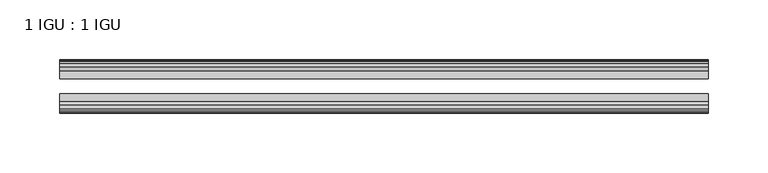
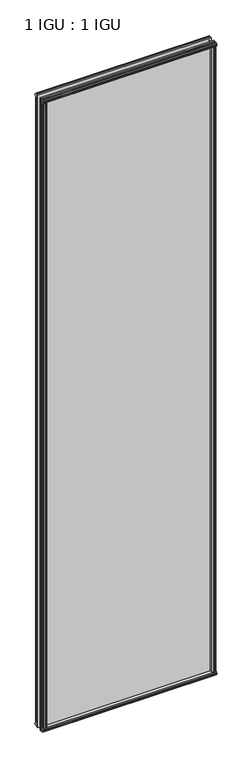
"""IFC4 building model written with IfcOpenShell, lengths in millimetres: plate geometry, 1 IGU : 1 IGU."""

import ifcopenshell
import ifcopenshell.guid

model = None  # the IFC model being written
_history = None  # IfcOwnerHistory: only IFC2X3 demands one
_inside = {}  # id of a spatial element -> (the spatial element, [elements in it])
_under = {}  # id of a project, library or spatial element -> (it, [spatial elements below it])
_declared = {}  # id of a project -> (the project, [libraries it declares])
_typed = {}  # id of a type object -> (the type object, [elements of that type])
_made_of = {}  # id of a material, layer set ... -> (it, [elements and type objects made of it])


def new_model(schema):
    """Start an empty IFC model of exactly this schema.

    Asked for "IFC4X3", IfcOpenShell would pick the latest addendum, in which some entities
    have other attributes; the version numbers below select the first issue.
    IFC2X3 requires an IfcOwnerHistory on every rooted entity: one is made here for all.
    """
    global model, _history
    if schema == "IFC4X3":
        model = ifcopenshell.file(schema_version=(4, 3, 0, 0))
    else:
        model = ifcopenshell.file(schema=schema)
    _inside.clear()
    _under.clear()
    _declared.clear()
    _typed.clear()
    _made_of.clear()
    _history = None
    if model.schema == "IFC2X3":
        org = make("IfcOrganization", Name="unknown")
        user = make(
            "IfcPersonAndOrganization",
            ThePerson=make("IfcPerson", FamilyName="unknown"),
            TheOrganization=org,
        )
        app = make(
            "IfcApplication",
            ApplicationDeveloper=org,
            Version="unknown",
            ApplicationFullName="unknown",
            ApplicationIdentifier="unknown",
        )
        _history = make(
            "IfcOwnerHistory",
            OwningUser=user,
            OwningApplication=app,
            ChangeAction="ADDED",
            CreationDate=0,
        )
    return model


def make(cls, **values):
    """One entity of the class cls with the attributes given. An attribute that is None is left unset."""
    return model.create_entity(
        cls, **{name: value for name, value in values.items() if value is not None}
    )


def rooted(cls, **values):
    """An entity with a GlobalId (a new one), such as an element, a storey or a relation."""
    return make(cls, GlobalId=ifcopenshell.guid.new(), OwnerHistory=_history, **values)


def si_unit(unit_type, name, prefix=None):
    """IfcSIUnit, for example si_unit("LENGTHUNIT", "METRE", prefix="MILLI")."""
    return make("IfcSIUnit", UnitType=unit_type, Prefix=prefix, Name=name)


def assignment(units):
    """IfcUnitAssignment: the units of a project."""
    return None if units is None else make("IfcUnitAssignment", Units=units)


def point(xyz):
    """IfcCartesianPoint."""
    return None if xyz is None else make("IfcCartesianPoint", Coordinates=xyz)


def direction(xyz):
    """IfcDirection."""
    return None if xyz is None else make("IfcDirection", DirectionRatios=xyz)


def frame(location, z_axis=None, x_axis=None):
    """IfcAxis2Placement3D, a coordinate frame: its origin and axes. An axis left out is left unset."""
    return make(
        "IfcAxis2Placement3D",
        Location=point(location),
        Axis=direction(z_axis),
        RefDirection=direction(x_axis),
    )


def origin():
    """The frame at (0, 0, 0) with its axes left unset."""
    return frame((0.0, 0.0, 0.0))


def origin_with_axes():
    """The frame at (0, 0, 0) with the z axis (0, 0, 1) and the x axis (1, 0, 0) written out."""
    return frame((0.0, 0.0, 0.0), z_axis=(0.0, 0.0, 1.0), x_axis=(1.0, 0.0, 0.0))


def place(relative_to, where):
    """IfcLocalPlacement: puts the frame where relative to a parent placement (None: the world)."""
    return make(
        "IfcLocalPlacement", PlacementRelTo=relative_to, RelativePlacement=where
    )


def context(
    kind, dimensions, precision=None, world=None, true_north=None, identifier=None
):
    """IfcGeometricRepresentationContext, for example the 3D "Model" context."""
    return make(
        "IfcGeometricRepresentationContext",
        ContextIdentifier=identifier,
        ContextType=kind,
        CoordinateSpaceDimension=dimensions,
        Precision=precision,
        WorldCoordinateSystem=world,
        TrueNorth=true_north,
    )


def project(units=None, contexts=None):
    """IfcProject with its units and contexts."""
    return rooted(
        "IfcProject",
        Name="project",
        RepresentationContexts=contexts,
        UnitsInContext=assignment(units),
    )


def spatial(cls, under=None, at=None, **own):
    """A site, building, storey or space (cls), placed at a placement, below another one or the project."""
    s = rooted(cls, ObjectPlacement=at, **own)
    if under is not None:
        _under.setdefault(under.id(), (under, []))[1].append(s)
    return s


def polyline(points):
    """IfcPolyline through the points."""
    return make("IfcPolyline", Points=[point(p) for p in points])


def outline(outer, holes=None, kind="AREA"):
    """IfcArbitraryClosedProfileDef: a profile drawn as a closed curve; with holes, ...WithVoids."""
    if holes is None:
        return make("IfcArbitraryClosedProfileDef", ProfileType=kind, OuterCurve=outer)
    return make(
        "IfcArbitraryProfileDefWithVoids",
        ProfileType=kind,
        OuterCurve=outer,
        InnerCurves=holes,
    )


def extrude(swept, where, along, depth):
    """IfcExtrudedAreaSolid: the profile swept, set in the frame where, extruded along a direction by depth."""
    return make(
        "IfcExtrudedAreaSolid",
        SweptArea=swept,
        Position=where,
        ExtrudedDirection=direction(along),
        Depth=depth,
    )


def shape(context_of_items, identifier, shape_type, items):
    """IfcShapeRepresentation: the items that make up one representation, for example the "Body"."""
    return make(
        "IfcShapeRepresentation",
        ContextOfItems=context_of_items,
        RepresentationIdentifier=identifier,
        RepresentationType=shape_type,
        Items=items,
    )


def source(mapping_origin, context_of_items, identifier, shape_type, items):
    """IfcRepresentationMap: a shape defined once, which mapped items show again and again."""
    return make(
        "IfcRepresentationMap",
        MappingOrigin=mapping_origin,
        MappedRepresentation=shape(context_of_items, identifier, shape_type, items),
    )


def transform(
    local_origin,
    x_axis=None,
    y_axis=None,
    z_axis=None,
    scale=None,
    scale2=None,
    scale3=None,
    uniform=True,
):
    """IfcCartesianTransformationOperator3D, or its non-uniform kind. x_axis, y_axis, z_axis: its Axis1, 2, 3."""
    if uniform:
        return make(
            "IfcCartesianTransformationOperator3D",
            Axis1=direction(x_axis),
            Axis2=direction(y_axis),
            LocalOrigin=point(local_origin),
            Scale=scale,
            Axis3=direction(z_axis),
        )
    return make(
        "IfcCartesianTransformationOperator3DnonUniform",
        Axis1=direction(x_axis),
        Axis2=direction(y_axis),
        LocalOrigin=point(local_origin),
        Scale=scale,
        Axis3=direction(z_axis),
        Scale2=scale2,
        Scale3=scale3,
    )


def mapped(mapping_source, mapping_target):
    """IfcMappedItem: shows the shape of a source again, moved by a transform."""
    return make(
        "IfcMappedItem", MappingSource=mapping_source, MappingTarget=mapping_target
    )


def made_of(thing, what):
    """Note that an element or type object is made of a material, layer set ...; save() writes the relation."""
    if what is not None:
        _made_of.setdefault(what.id(), (what, []))[1].append(thing)
    return thing


def element(
    cls,
    number,
    at=None,
    inside=None,
    cuts=None,
    type_object=None,
    material=None,
    context=None,
    identifier="Body",
    shape_type=None,
    held_by="IfcProductDefinitionShape",
    body=None,
    shapes=None,
    **own,
):
    """One element of the class cls, such as IfcWall. Its Tag is "e" and its number.

    at: its placement. inside: the storey or other place that contains it. cuts: it is an
    opening in that element (IfcRelVoidsElement). A single representation is given by context,
    identifier, shape_type and body (its items); several are given by shapes. held_by: the class
    of the entity that holds the representations. save() writes the other relations.
    """
    e = rooted(cls, Tag="e%d" % number, ObjectPlacement=at, **own)
    if body is not None:
        shapes = [shape(context, identifier, shape_type, body)]
    if shapes is not None:
        e.Representation = make(held_by, Representations=shapes)
    if inside is not None:
        _inside.setdefault(inside.id(), (inside, []))[1].append(e)
    if cuts is not None:
        rooted(
            "IfcRelVoidsElement", RelatingBuildingElement=cuts, RelatedOpeningElement=e
        )
    if type_object is not None:
        _typed.setdefault(type_object.id(), (type_object, []))[1].append(e)
    return made_of(e, material)


def aggregate(whole, parts):
    """IfcRelAggregates: a whole, such as a stair, and the parts it consists of."""
    return rooted("IfcRelAggregates", RelatingObject=whole, RelatedObjects=parts)


def save(model, path):
    """Write the relations noted so far, then the file.

    IfcRelAggregates (storeys below a building ...), IfcRelContainedInSpatialStructure (elements
    in a storey), IfcRelDefinesByType, IfcRelAssociatesMaterial and IfcRelDeclares: one each for
    every whole, place, type object, material and project.
    """
    for whole, parts in _under.values():
        aggregate(whole, parts)
    for where, things in _inside.values():
        rooted(
            "IfcRelContainedInSpatialStructure",
            RelatedElements=things,
            RelatingStructure=where,
        )
    for kind, things in _typed.values():
        rooted("IfcRelDefinesByType", RelatedObjects=things, RelatingType=kind)
    for what, things in _made_of.values():
        rooted("IfcRelAssociatesMaterial", RelatedObjects=things, RelatingMaterial=what)
    for by, libraries in _declared.values():
        rooted("IfcRelDeclares", RelatingContext=by, RelatedDefinitions=libraries)
    model.write(path)


def plate_1_igu_1_igu_3890bffb(model_context):
    return source(origin(), model_context, "Body", "SweptSolid", [
        extrude(outline(polyline([(258.3727015, -19.5460937), (260.4779786, -13.1960937), (265.685173, -13.1960937), (266.066173, -10.8158968), (264.650644, -11.27583), (264.650644, -10.4746158), (266.828173, -9.7670937), (269.0057021, -10.4746158), (269.0057021, -11.27583), (267.590173, -10.8158968), (267.971173, -13.1960937), (272.416173, -13.1960937), (272.416173, -16.1419073), (270.2030955, -19.5460937), (258.3727015, -19.5460937)])), origin_with_axes(), (0.0, 0.0, 1.0), 2070.1),
        extrude(outline(polyline([(-258.3727015, -19.5460937), (-270.2030955, -19.5460937), (-272.416173, -16.1419073), (-272.416173, -13.1960937), (-267.971173, -13.1960937), (-267.590173, -10.8158968), (-269.0057021, -11.27583), (-269.0057021, -10.4746158), (-266.828173, -9.7670937), (-264.650644, -10.4746158), (-264.650644, -11.27583), (-266.066173, -10.8158968), (-265.685173, -13.1960937), (-260.4779786, -13.1960937), (-258.3727015, -19.5460937)])), origin_with_axes(), (0.0, 0.0, 1.0), 2070.1),
        extrude(outline(polyline([(-16.1419073, -12.4576852), (-19.5460937, -10.2446077), (-19.5460937, 1.5857863), (-13.1960937, -0.5194908), (-13.1960937, -5.7266852), (-10.8158968, -6.1076852), (-11.27583, -4.6921562), (-10.4746158, -4.6921562), (-9.7670937, -6.8696852), (-10.4746158, -9.0472143), (-11.27583, -9.0472143), (-10.8158968, -7.6316852), (-13.1960937, -8.0126852), (-13.1960937, -12.4576852), (-16.1419073, -12.4576852)])), frame((-272.6584878, 0.0, 0.0), z_axis=(1.0, 0.0, 0.0), x_axis=(0.0, 1.0, 0.0)), (0.0, 0.0, 1.0), 545.3169756),
        extrude(outline(polyline([(-48.3502802, -11.938), (-51.2960937, -11.938), (-51.2960937, -7.493), (-53.6762907, -7.112), (-53.2163575, -8.5275291), (-54.0175717, -8.5275291), (-54.7250937, -6.35), (-54.0175717, -4.172471), (-53.2163575, -4.172471), (-53.6762907, -5.588), (-51.2960937, -5.207), (-51.2960937, 0.0001944), (-44.9460937, 2.1054715), (-44.9460937, -9.7249225), (-48.3502802, -11.938)])), frame((-272.6584878, 0.0, 0.0), z_axis=(1.0, 0.0, 0.0), x_axis=(0.0, 1.0, 0.0)), (0.0, 0.0, 1.0), 545.3169756),
        extrude(outline(polyline([(-16.1028367, 2082.5576852), (-13.1960937, 2082.5576852), (-13.1960937, 2078.1126852), (-10.8158968, 2077.7316852), (-11.27583, 2079.1472143), (-10.4746158, 2079.1472143), (-9.7670937, 2076.9696852), (-10.4746158, 2074.7921562), (-11.27583, 2074.7921562), (-10.8158968, 2076.2076852), (-13.1960937, 2075.8266852), (-13.1960937, 2070.5940908), (-19.5460937, 2068.4888137), (-19.5460937, 2080.3192077), (-16.1028367, 2082.5576852)])), frame((-272.6584878, 0.0, 0.0), z_axis=(1.0, 0.0, 0.0), x_axis=(0.0, 1.0, 0.0)), (0.0, 0.0, 1.0), 545.3169756),
        extrude(outline(polyline([(-48.3893508, 2082.0126), (-44.9460937, 2079.7741225), (-44.9460937, 2067.9437285), (-51.2960937, 2070.0490056), (-51.2960937, 2075.2816), (-53.6762907, 2075.6626), (-53.2163575, 2074.2470709), (-54.0175717, 2074.2470709), (-54.7250938, 2076.4246), (-54.0175717, 2078.602129), (-53.2163575, 2078.602129), (-53.6762907, 2077.1866), (-51.2960937, 2077.5676), (-51.2960937, 2082.0126), (-48.3893508, 2082.0126)])), frame((-272.6584878, 0.0, 0.0), z_axis=(1.0, 0.0, 0.0), x_axis=(0.0, 1.0, 0.0)), (0.0, 0.0, 1.0), 545.3169756),
        extrude(outline(polyline([(-257.8530163, -44.9460938), (-259.9582934, -51.2960938), (-265.1654878, -51.2960938), (-265.5464878, -53.6762907), (-264.1309587, -53.2163575), (-264.1309587, -54.0175717), (-266.3084878, -54.7250938), (-268.4860168, -54.0175717), (-268.4860168, -53.2163575), (-267.0704878, -53.6762907), (-267.4514878, -51.2960938), (-271.8964878, -51.2960938), (-271.8964878, -48.3502802), (-269.6834103, -44.9460938), (-257.8530163, -44.9460938)])), origin_with_axes(), (0.0, 0.0, 1.0), 2070.1),
        extrude(outline(polyline([(257.8530163, -44.9460938), (269.6834103, -44.9460938), (271.8964878, -48.3502802), (271.8964878, -51.2960938), (267.4514878, -51.2960938), (267.0704878, -53.6762907), (268.4860168, -53.2163575), (268.4860168, -54.0175717), (266.3084878, -54.7250938), (264.1309587, -54.0175717), (264.1309587, -53.2163575), (265.5464878, -53.6762907), (265.1654878, -51.2960938), (259.9582934, -51.2960938), (257.8530163, -44.9460938)])), origin_with_axes(), (0.0, 0.0, 1.0), 2070.1),
        extrude(outline(polyline([(272.6584878, -19.5460937), (272.6584878, -25.8337453), (-272.6584878, -25.8337453), (-272.6584878, -19.5460937), (272.6584878, -19.5460937)])), frame((0.0, 0.0, -12.7), z_axis=(0.0, 0.0, 1.0), x_axis=(1.0, 0.0, 0.0)), (0.0, 0.0, 1.0), 2095.4872998),
        extrude(outline(polyline([(-272.6584878, -44.9460937), (-272.6584878, -38.6468938), (272.6584878, -38.6468938), (272.6584878, -44.9460937), (-272.6584878, -44.9460937)])), frame((0.0, 0.0, -12.7), z_axis=(0.0, 0.0, 1.0), x_axis=(1.0, 0.0, 0.0)), (0.0, 0.0, 1.0), 2095.4872998),
    ])


if __name__ == "__main__":
    model = new_model("IFC4")
    model_context = context("Model", 3, world=origin())
    ifc_project = project(units=[si_unit("LENGTHUNIT", "METRE", prefix="MILLI")], contexts=[model_context])
    site = spatial("IfcSite", under=ifc_project)
    building = spatial("IfcBuilding", under=site)
    placement = place(None, origin())
    plate_1_igu_1_igu_shape = plate_1_igu_1_igu_3890bffb(model_context)
    element("IfcPlate", 1, ObjectType="1 IGU : 1 IGU", at=placement, inside=building, context=model_context, shape_type="MappedRepresentation", body=[
        mapped(plate_1_igu_1_igu_shape, transform((0.0, 0.0, 0.0), x_axis=(1.0, 0.0, 0.0), y_axis=(0.0, 1.0, 0.0), z_axis=(0.0, 0.0, 1.0))),
    ])
    save(model, "model.ifc")
